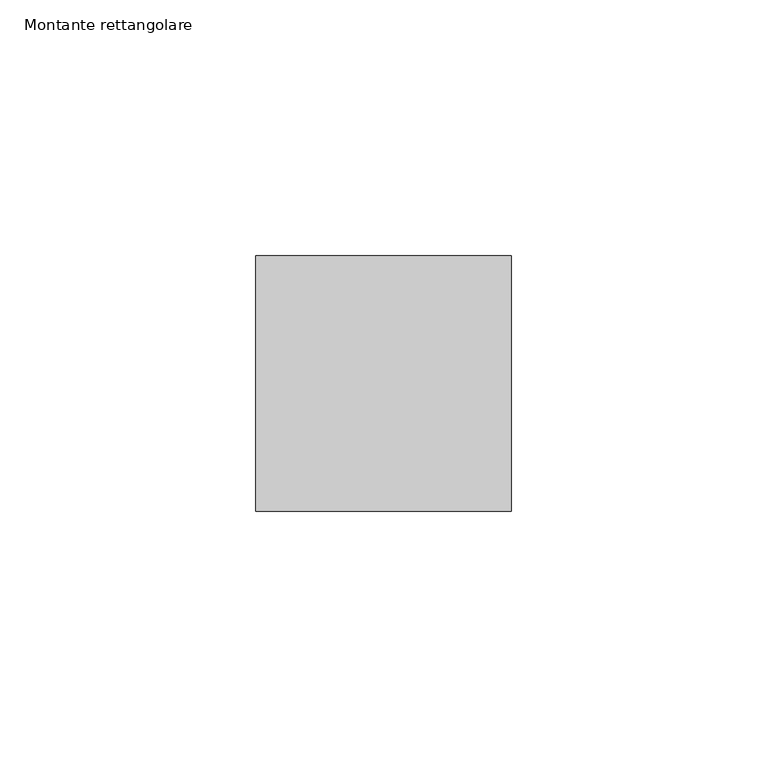
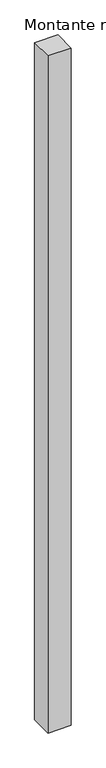
"""IFC4 building model written with IfcOpenShell, lengths in millimetres: member geometry, Montante rettangolare."""

import ifcopenshell
import ifcopenshell.guid

model = None  # the IFC model being written
_history = None  # IfcOwnerHistory: only IFC2X3 demands one
_inside = {}  # id of a spatial element -> (the spatial element, [elements in it])
_under = {}  # id of a project, library or spatial element -> (it, [spatial elements below it])
_declared = {}  # id of a project -> (the project, [libraries it declares])
_typed = {}  # id of a type object -> (the type object, [elements of that type])
_made_of = {}  # id of a material, layer set ... -> (it, [elements and type objects made of it])


def new_model(schema):
    """Start an empty IFC model of exactly this schema.

    Asked for "IFC4X3", IfcOpenShell would pick the latest addendum, in which some entities
    have other attributes; the version numbers below select the first issue.
    IFC2X3 requires an IfcOwnerHistory on every rooted entity: one is made here for all.
    """
    global model, _history
    if schema == "IFC4X3":
        model = ifcopenshell.file(schema_version=(4, 3, 0, 0))
    else:
        model = ifcopenshell.file(schema=schema)
    _inside.clear()
    _under.clear()
    _declared.clear()
    _typed.clear()
    _made_of.clear()
    _history = None
    if model.schema == "IFC2X3":
        org = make("IfcOrganization", Name="unknown")
        user = make(
            "IfcPersonAndOrganization",
            ThePerson=make("IfcPerson", FamilyName="unknown"),
            TheOrganization=org,
        )
        app = make(
            "IfcApplication",
            ApplicationDeveloper=org,
            Version="unknown",
            ApplicationFullName="unknown",
            ApplicationIdentifier="unknown",
        )
        _history = make(
            "IfcOwnerHistory",
            OwningUser=user,
            OwningApplication=app,
            ChangeAction="ADDED",
            CreationDate=0,
        )
    return model


def make(cls, **values):
    """One entity of the class cls with the attributes given. An attribute that is None is left unset."""
    return model.create_entity(
        cls, **{name: value for name, value in values.items() if value is not None}
    )


def rooted(cls, **values):
    """An entity with a GlobalId (a new one), such as an element, a storey or a relation."""
    return make(cls, GlobalId=ifcopenshell.guid.new(), OwnerHistory=_history, **values)


def si_unit(unit_type, name, prefix=None):
    """IfcSIUnit, for example si_unit("LENGTHUNIT", "METRE", prefix="MILLI")."""
    return make("IfcSIUnit", UnitType=unit_type, Prefix=prefix, Name=name)


def assignment(units):
    """IfcUnitAssignment: the units of a project."""
    return None if units is None else make("IfcUnitAssignment", Units=units)


def point(xyz):
    """IfcCartesianPoint."""
    return None if xyz is None else make("IfcCartesianPoint", Coordinates=xyz)


def direction(xyz):
    """IfcDirection."""
    return None if xyz is None else make("IfcDirection", DirectionRatios=xyz)


def frame(location, z_axis=None, x_axis=None):
    """IfcAxis2Placement3D, a coordinate frame: its origin and axes. An axis left out is left unset."""
    return make(
        "IfcAxis2Placement3D",
        Location=point(location),
        Axis=direction(z_axis),
        RefDirection=direction(x_axis),
    )


def origin():
    """The frame at (0, 0, 0) with its axes left unset."""
    return frame((0.0, 0.0, 0.0))


def place(relative_to, where):
    """IfcLocalPlacement: puts the frame where relative to a parent placement (None: the world)."""
    return make(
        "IfcLocalPlacement", PlacementRelTo=relative_to, RelativePlacement=where
    )


def context(
    kind, dimensions, precision=None, world=None, true_north=None, identifier=None
):
    """IfcGeometricRepresentationContext, for example the 3D "Model" context."""
    return make(
        "IfcGeometricRepresentationContext",
        ContextIdentifier=identifier,
        ContextType=kind,
        CoordinateSpaceDimension=dimensions,
        Precision=precision,
        WorldCoordinateSystem=world,
        TrueNorth=true_north,
    )


def project(units=None, contexts=None):
    """IfcProject with its units and contexts."""
    return rooted(
        "IfcProject",
        Name="project",
        RepresentationContexts=contexts,
        UnitsInContext=assignment(units),
    )


def spatial(cls, under=None, at=None, **own):
    """A site, building, storey or space (cls), placed at a placement, below another one or the project."""
    s = rooted(cls, ObjectPlacement=at, **own)
    if under is not None:
        _under.setdefault(under.id(), (under, []))[1].append(s)
    return s


def polyline(points):
    """IfcPolyline through the points."""
    return make("IfcPolyline", Points=[point(p) for p in points])


def outline(outer, holes=None, kind="AREA"):
    """IfcArbitraryClosedProfileDef: a profile drawn as a closed curve; with holes, ...WithVoids."""
    if holes is None:
        return make("IfcArbitraryClosedProfileDef", ProfileType=kind, OuterCurve=outer)
    return make(
        "IfcArbitraryProfileDefWithVoids",
        ProfileType=kind,
        OuterCurve=outer,
        InnerCurves=holes,
    )


def extrude(swept, where, along, depth):
    """IfcExtrudedAreaSolid: the profile swept, set in the frame where, extruded along a direction by depth."""
    return make(
        "IfcExtrudedAreaSolid",
        SweptArea=swept,
        Position=where,
        ExtrudedDirection=direction(along),
        Depth=depth,
    )


def shape(context_of_items, identifier, shape_type, items):
    """IfcShapeRepresentation: the items that make up one representation, for example the "Body"."""
    return make(
        "IfcShapeRepresentation",
        ContextOfItems=context_of_items,
        RepresentationIdentifier=identifier,
        RepresentationType=shape_type,
        Items=items,
    )


def source(mapping_origin, context_of_items, identifier, shape_type, items):
    """IfcRepresentationMap: a shape defined once, which mapped items show again and again."""
    return make(
        "IfcRepresentationMap",
        MappingOrigin=mapping_origin,
        MappedRepresentation=shape(context_of_items, identifier, shape_type, items),
    )


def transform(
    local_origin,
    x_axis=None,
    y_axis=None,
    z_axis=None,
    scale=None,
    scale2=None,
    scale3=None,
    uniform=True,
):
    """IfcCartesianTransformationOperator3D, or its non-uniform kind. x_axis, y_axis, z_axis: its Axis1, 2, 3."""
    if uniform:
        return make(
            "IfcCartesianTransformationOperator3D",
            Axis1=direction(x_axis),
            Axis2=direction(y_axis),
            LocalOrigin=point(local_origin),
            Scale=scale,
            Axis3=direction(z_axis),
        )
    return make(
        "IfcCartesianTransformationOperator3DnonUniform",
        Axis1=direction(x_axis),
        Axis2=direction(y_axis),
        LocalOrigin=point(local_origin),
        Scale=scale,
        Axis3=direction(z_axis),
        Scale2=scale2,
        Scale3=scale3,
    )


def mapped(mapping_source, mapping_target):
    """IfcMappedItem: shows the shape of a source again, moved by a transform."""
    return make(
        "IfcMappedItem", MappingSource=mapping_source, MappingTarget=mapping_target
    )


def made_of(thing, what):
    """Note that an element or type object is made of a material, layer set ...; save() writes the relation."""
    if what is not None:
        _made_of.setdefault(what.id(), (what, []))[1].append(thing)
    return thing


def element(
    cls,
    number,
    at=None,
    inside=None,
    cuts=None,
    type_object=None,
    material=None,
    context=None,
    identifier="Body",
    shape_type=None,
    held_by="IfcProductDefinitionShape",
    body=None,
    shapes=None,
    **own,
):
    """One element of the class cls, such as IfcWall. Its Tag is "e" and its number.

    at: its placement. inside: the storey or other place that contains it. cuts: it is an
    opening in that element (IfcRelVoidsElement). A single representation is given by context,
    identifier, shape_type and body (its items); several are given by shapes. held_by: the class
    of the entity that holds the representations. save() writes the other relations.
    """
    e = rooted(cls, Tag="e%d" % number, ObjectPlacement=at, **own)
    if body is not None:
        shapes = [shape(context, identifier, shape_type, body)]
    if shapes is not None:
        e.Representation = make(held_by, Representations=shapes)
    if inside is not None:
        _inside.setdefault(inside.id(), (inside, []))[1].append(e)
    if cuts is not None:
        rooted(
            "IfcRelVoidsElement", RelatingBuildingElement=cuts, RelatedOpeningElement=e
        )
    if type_object is not None:
        _typed.setdefault(type_object.id(), (type_object, []))[1].append(e)
    return made_of(e, material)


def aggregate(whole, parts):
    """IfcRelAggregates: a whole, such as a stair, and the parts it consists of."""
    return rooted("IfcRelAggregates", RelatingObject=whole, RelatedObjects=parts)


def save(model, path):
    """Write the relations noted so far, then the file.

    IfcRelAggregates (storeys below a building ...), IfcRelContainedInSpatialStructure (elements
    in a storey), IfcRelDefinesByType, IfcRelAssociatesMaterial and IfcRelDeclares: one each for
    every whole, place, type object, material and project.
    """
    for whole, parts in _under.values():
        aggregate(whole, parts)
    for where, things in _inside.values():
        rooted(
            "IfcRelContainedInSpatialStructure",
            RelatedElements=things,
            RelatingStructure=where,
        )
    for kind, things in _typed.values():
        rooted("IfcRelDefinesByType", RelatedObjects=things, RelatingType=kind)
    for what, things in _made_of.values():
        rooted("IfcRelAssociatesMaterial", RelatedObjects=things, RelatingMaterial=what)
    for by, libraries in _declared.values():
        rooted("IfcRelDeclares", RelatingContext=by, RelatedDefinitions=libraries)
    model.write(path)


def montante_rettangolare_1bdae63e(model_context):
    return source(origin(), model_context, "Body", "SweptSolid", [
        extrude(outline(polyline([(0.0, 25.0), (0.0, -25.0), (-50.0, -25.0), (-50.0, 25.0), (0.0, 25.0)])), frame((0.0, 0.0, -1550.0), z_axis=(0.0, 0.0, 1.0), x_axis=(1.0, 0.0, 0.0)), (0.0, 0.0, 1.0), 1550.0),
    ])


if __name__ == "__main__":
    model = new_model("IFC4")
    model_context = context("Model", 3, world=origin())
    ifc_project = project(units=[si_unit("LENGTHUNIT", "METRE", prefix="MILLI")], contexts=[model_context])
    site = spatial("IfcSite", under=ifc_project)
    building = spatial("IfcBuilding", under=site)
    placement = place(None, origin())
    montante_rettangolare_shape = montante_rettangolare_1bdae63e(model_context)
    element("IfcMember", 1, ObjectType="Montante rettangolare", at=placement, inside=building, context=model_context, shape_type="MappedRepresentation", body=[
        mapped(montante_rettangolare_shape, transform((0.0, 0.0, 0.0), x_axis=(1.0, 0.0, 0.0), y_axis=(0.0, 1.0, 0.0), z_axis=(0.0, 0.0, 1.0))),
    ])
    save(model, "model.ifc")
